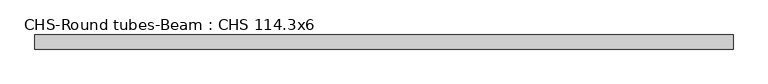
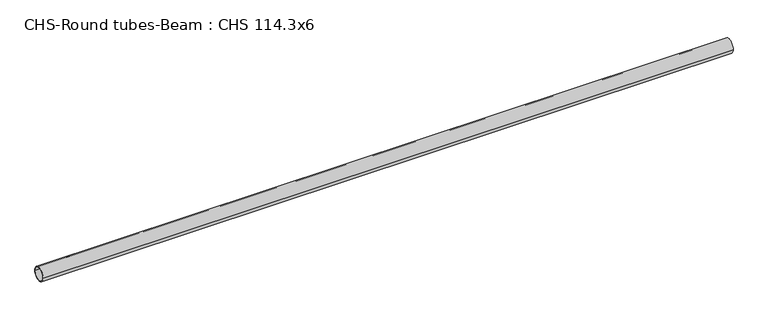
"""IFC4 building model written with IfcOpenShell, lengths in millimetres: beam geometry, CHS-Round tubes-Beam : CHS 114.3x6."""

from ifc_helpers import new_model, si_unit, point, frame, origin, origin_2d, place, context, project, spatial, circle_curve, trimmed, segment, composite_curve, outline, extrude, source, transform, mapped, element, save


def chs_round_tubes_beam_chs_114_3x6_7cd2206f(model_context):
    return source(origin(), model_context, "Body", "SweptSolid", [
        extrude(outline(composite_curve([segment(trimmed(circle_curve(origin_2d(), 57.15), [point((57.15, 0.0))], [point((-57.15, 0.0))], False, "CARTESIAN"), True, "CONTINUOUS"), segment(trimmed(circle_curve(origin_2d(), 57.15), [point((-57.15, 0.0))], [point((57.15, 0.0))], False, "CARTESIAN"), True, "CONTINUOUS")], self_intersect=False), holes=[composite_curve([segment(trimmed(circle_curve(origin_2d(), 51.15), [point((51.15, 0.0))], [point((-51.15, 0.0))], True, "CARTESIAN"), True, "CONTINUOUS"), segment(trimmed(circle_curve(origin_2d(), 51.15), [point((-51.15, 0.0))], [point((51.15, 0.0))], True, "CARTESIAN"), True, "CONTINUOUS")], self_intersect=False)]), frame((-3033.6718547, 0.0, 0.0), z_axis=(1.0, 0.0, 0.0), x_axis=(0.0, 1.0, 0.0)), (0.0, 0.0, 1.0), 5652.9220589),
    ])


if __name__ == "__main__":
    model = new_model("IFC4")
    model_context = context("Model", 3, world=origin())
    ifc_project = project(units=[si_unit("LENGTHUNIT", "METRE", prefix="MILLI")], contexts=[model_context])
    site = spatial("IfcSite", under=ifc_project)
    building = spatial("IfcBuilding", under=site)
    placement = place(None, origin())
    chs_round_tubes_beam_chs_114_3x6_shape = chs_round_tubes_beam_chs_114_3x6_7cd2206f(model_context)
    element("IfcBeam", 1, ObjectType="CHS-Round tubes-Beam : CHS 114.3x6", at=placement, inside=building, context=model_context, shape_type="MappedRepresentation", body=[
        mapped(chs_round_tubes_beam_chs_114_3x6_shape, transform((0.0, 0.0, 0.0), x_axis=(1.0, 0.0, 0.0), y_axis=(0.0, 1.0, 0.0), z_axis=(0.0, 0.0, 1.0))),
    ])
    save(model, "model.ifc")
